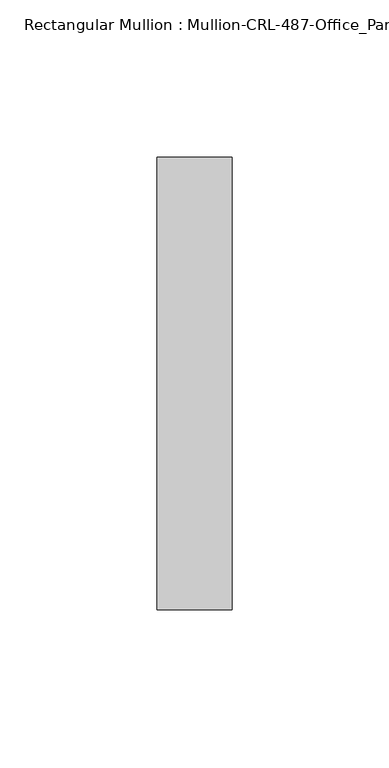
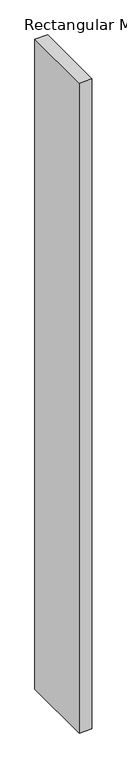
"""IFC4 building model written with IfcOpenShell, lengths in millimetres: member geometry, Rectangular Mullion : Mullion-CRL-487-Office_Partition-Door_Jamb."""

from ifc_helpers import new_model, si_unit, frame, origin, place, context, project, spatial, polyline, outline, extrude, source, transform, mapped, element, save


def rectangular_mullion_mullion_crl_487_office_partition_door_63c1e6a8(model_context):
    return source(origin(), model_context, "Body", "SweptSolid", [
        extrude(outline(polyline([(0.0, -71.9452143), (-23.7998, -71.9452143), (-23.7998, 71.9452142), (0.0, 71.9452142), (0.0, -71.9452143)])), frame((0.0, 0.0, -1289.05), z_axis=(0.0, 0.0, 1.0), x_axis=(1.0, 0.0, 0.0)), (0.0, 0.0, 1.0), 1289.05),
    ])


if __name__ == "__main__":
    model = new_model("IFC4")
    model_context = context("Model", 3, world=origin())
    ifc_project = project(units=[si_unit("LENGTHUNIT", "METRE", prefix="MILLI")], contexts=[model_context])
    site = spatial("IfcSite", under=ifc_project)
    building = spatial("IfcBuilding", under=site)
    placement = place(None, origin())
    rectangular_mullion_mullion_crl_487_office_partition_door_shape = rectangular_mullion_mullion_crl_487_office_partition_door_63c1e6a8(model_context)
    element("IfcMember", 1, ObjectType="Rectangular Mullion : Mullion-CRL-487-Office_Partition-Door_Jamb", at=placement, inside=building, context=model_context, shape_type="MappedRepresentation", body=[
        mapped(rectangular_mullion_mullion_crl_487_office_partition_door_shape, transform((0.0, 0.0, 0.0), x_axis=(1.0, 0.0, 0.0), y_axis=(0.0, 1.0, 0.0), z_axis=(0.0, 0.0, 1.0))),
    ])
    save(model, "model.ifc")
